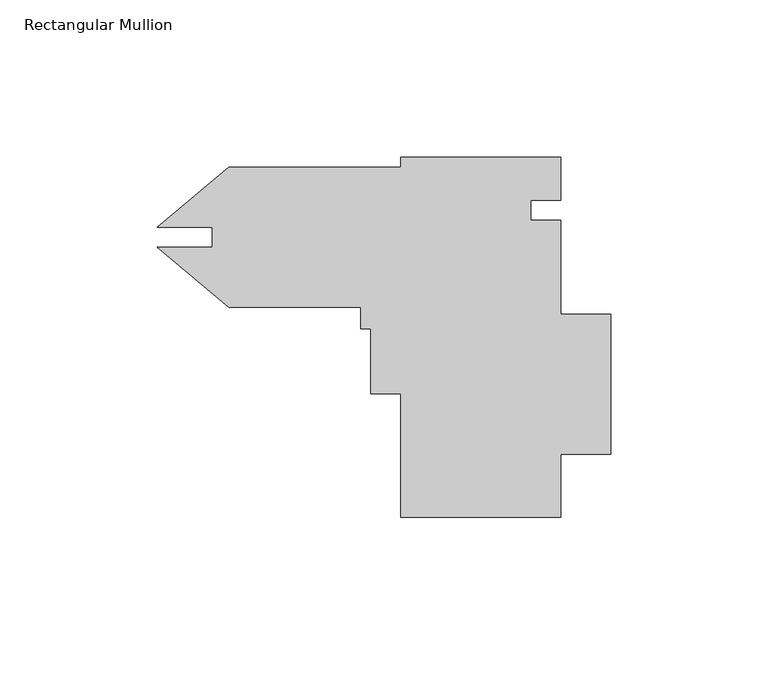
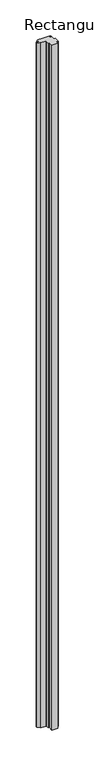
"""IFC4 building model written with IfcOpenShell, lengths in millimetres: member geometry, Rectangular Mullion."""

from ifc_helpers import new_model, si_unit, frame, origin, place, context, project, spatial, polyline, outline, extrude, source, transform, mapped, element, save


def rectangular_mullion_e22c5ee8(model_context):
    return source(origin(), model_context, "Body", "SweptSolid", [
        extrude(outline(polyline([(-52.1584517, 9.4861062), (-94.1160913, 9.4861062), (-116.834424, 28.5490508), (-99.4584164, 28.5490508), (-99.4584164, 34.8731617), (-116.834424, 34.8731617), (-94.1160913, 53.9361063), (-39.4584517, 53.9361063), (-39.4584517, 57.1111063), (11.3415483, 57.1111063), (11.3415483, 43.4586063), (1.8165483, 43.4586063), (1.8165483, 37.1086063), (11.3415483, 37.1086063), (11.3415483, 7.2003564), (27.2165483, 7.2003564), (27.2165483, -37.2496436), (11.3415483, -37.2496436), (11.3415483, -57.1888937), (-39.4584517, -57.1888937), (-39.4584517, -17.9458937), (-48.9834517, -17.9458937), (-48.9834517, 2.6789063), (-52.1584517, 2.6789063), (-52.1584517, 9.4861062)])), frame((0.0, 0.0, -6096.0), z_axis=(0.0, 0.0, 1.0), x_axis=(1.0, 0.0, 0.0)), (0.0, 0.0, 1.0), 6096.0),
    ])


if __name__ == "__main__":
    model = new_model("IFC4")
    model_context = context("Model", 3, world=origin())
    ifc_project = project(units=[si_unit("LENGTHUNIT", "METRE", prefix="MILLI")], contexts=[model_context])
    site = spatial("IfcSite", under=ifc_project)
    building = spatial("IfcBuilding", under=site)
    placement = place(None, origin())
    rectangular_mullion_shape = rectangular_mullion_e22c5ee8(model_context)
    element("IfcMember", 1, ObjectType="Rectangular Mullion", at=placement, inside=building, context=model_context, shape_type="MappedRepresentation", body=[
        mapped(rectangular_mullion_shape, transform((0.0, 0.0, 0.0), x_axis=(1.0, 0.0, 0.0), y_axis=(0.0, 1.0, 0.0), z_axis=(0.0, 0.0, 1.0))),
    ])
    save(model, "model.ifc")
